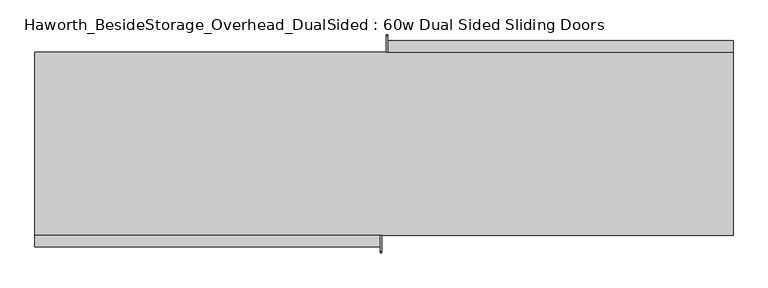
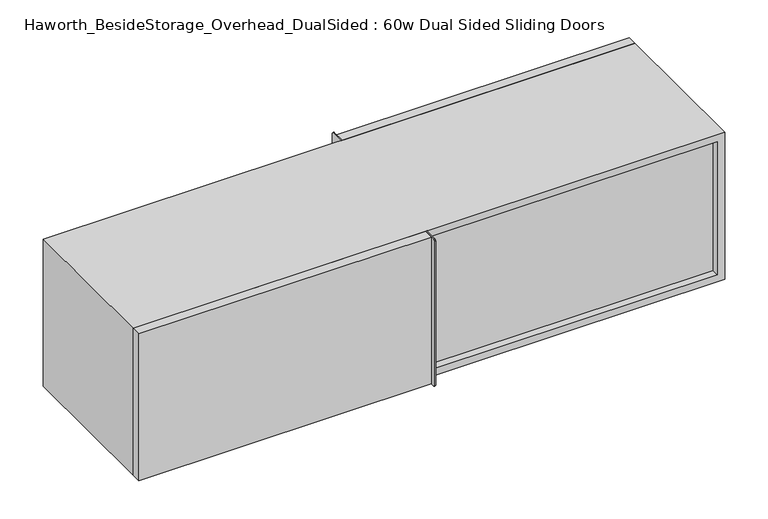
"""IFC4 building model written with IfcOpenShell, lengths in millimetres: furniture geometry, Haworth_BesideStorage_Overhead_DualSided : 60w Dual Sided Sliding Doors."""

from ifc_helpers import new_model, si_unit, point, frame, frame_2d, origin, place, context, project, spatial, polyline, circle_curve, trimmed, segment, composite_curve, outline, extrude, source, transform, mapped, element, save


def haworth_besidestorage_overhead_dualsided_60w_dual_sided_adc020c8(model_context):
    return source(origin(), model_context, "Body", "SweptSolid", [
        extrude(outline(composite_curve([segment(polyline([(-3.175, 1162.05), (31.75, 1162.05)]), True, "CONTINUOUS"), segment(trimmed(circle_curve(frame_2d((31.75, 1158.875)), 3.175), [point((31.75, 1162.05))], [point((34.925, 1158.875))], False, "CARTESIAN"), True, "CONTINUOUS"), segment(polyline([(34.925, 1158.875), (34.925, 765.175)]), True, "CONTINUOUS"), segment(trimmed(circle_curve(frame_2d((31.75, 765.175)), 3.175), [point((34.925, 765.175))], [point((31.75, 762.0))], False, "CARTESIAN"), True, "CONTINUOUS"), segment(polyline([(31.75, 762.0), (-3.175, 762.0), (-3.175, 1162.05)]), True, "CONTINUOUS")], self_intersect=False)), frame((-68.0434159, 0.0, 0.0), z_axis=(1.0, 0.0, 0.0), x_axis=(0.0, 1.0, 0.0)), (0.0, 0.0, 1.0), 3.175),
        extrude(outline(polyline([(689.1940841, -3.175), (-64.8684159, -3.175), (-64.8684159, 22.225), (689.1940841, 22.225), (689.1940841, -3.175)])), frame((0.0, 0.0, 762.0), z_axis=(0.0, 0.0, 1.0), x_axis=(1.0, 0.0, 0.0)), (0.0, 0.0, 1.0), 400.05),
        extrude(outline(composite_curve([segment(polyline([(-403.225, 1162.05), (-403.225, 762.0), (-438.15, 762.0)]), True, "CONTINUOUS"), segment(trimmed(circle_curve(frame_2d((-438.15, 765.175)), 3.175), [point((-438.15, 762.0))], [point((-441.325, 765.175))], False, "CARTESIAN"), True, "CONTINUOUS"), segment(polyline([(-441.325, 765.175), (-441.325, 1158.875)]), True, "CONTINUOUS"), segment(trimmed(circle_curve(frame_2d((-438.15, 1158.875)), 3.175), [point((-441.325, 1158.875))], [point((-438.15, 1162.05))], False, "CARTESIAN"), True, "CONTINUOUS"), segment(polyline([(-438.15, 1162.05), (-403.225, 1162.05)]), True, "CONTINUOUS")], self_intersect=False)), frame((-80.7434159, 0.0, 0.0), z_axis=(1.0, 0.0, 0.0), x_axis=(0.0, 1.0, 0.0)), (0.0, 0.0, 1.0), 3.175),
        extrude(outline(polyline([(-834.8059159, -403.225), (-80.7434159, -403.225), (-80.7434159, -428.625), (-834.8059159, -428.625), (-834.8059159, -403.225)])), frame((0.0, 0.0, 762.0), z_axis=(0.0, 0.0, 1.0), x_axis=(1.0, 0.0, 0.0)), (0.0, 0.0, 1.0), 400.05),
        extrude(outline(polyline([(-64.8684159, -371.475), (670.1440841, -371.475), (670.1440841, -384.175), (-64.8684159, -384.175), (-64.8684159, -371.475)])), frame((0.0, 0.0, 781.05), z_axis=(0.0, 0.0, 1.0), x_axis=(1.0, 0.0, 0.0)), (0.0, 0.0, 1.0), 361.95),
        extrude(outline(polyline([(-815.7559159, -22.225), (-80.7434159, -22.225), (-80.7434159, -34.925), (-815.7559159, -34.925), (-815.7559159, -22.225)])), frame((0.0, 0.0, 781.05), z_axis=(0.0, 0.0, 1.0), x_axis=(1.0, 0.0, 0.0)), (0.0, 0.0, 1.0), 361.95),
        extrude(outline(polyline([(762.0, 689.1940841), (1162.05, 689.1940841), (1162.05, -834.8059159), (762.0, -834.8059159), (762.0, 689.1940841)]), holes=[polyline([(1143.0, -80.7434159), (781.05, -80.7434159), (781.05, -815.7559159), (1143.0, -815.7559159), (1143.0, -80.7434159)]), polyline([(781.05, 670.1440841), (781.05, -64.8684159), (1143.0, -64.8684159), (1143.0, 670.1440841), (781.05, 670.1440841)])]), frame((0.0, -403.225, 0.0), z_axis=(0.0, 1.0, 0.0), x_axis=(0.0, 0.0, 1.0)), (0.0, 0.0, 1.0), 400.05),
    ])


if __name__ == "__main__":
    model = new_model("IFC4")
    model_context = context("Model", 3, world=origin())
    ifc_project = project(units=[si_unit("LENGTHUNIT", "METRE", prefix="MILLI")], contexts=[model_context])
    site = spatial("IfcSite", under=ifc_project)
    building = spatial("IfcBuilding", under=site)
    placement = place(None, origin())
    haworth_besidestorage_overhead_dualsided_60w_dual_sided_shape = haworth_besidestorage_overhead_dualsided_60w_dual_sided_adc020c8(model_context)
    element("IfcFurniture", 1, ObjectType="Haworth_BesideStorage_Overhead_DualSided : 60w Dual Sided Sliding Doors", at=placement, inside=building, context=model_context, shape_type="MappedRepresentation", body=[
        mapped(haworth_besidestorage_overhead_dualsided_60w_dual_sided_shape, transform((0.0, 0.0, 0.0), x_axis=(1.0, 0.0, 0.0), y_axis=(0.0, 1.0, 0.0), z_axis=(0.0, 0.0, 1.0))),
    ])
    save(model, "model.ifc")
